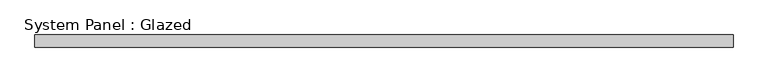
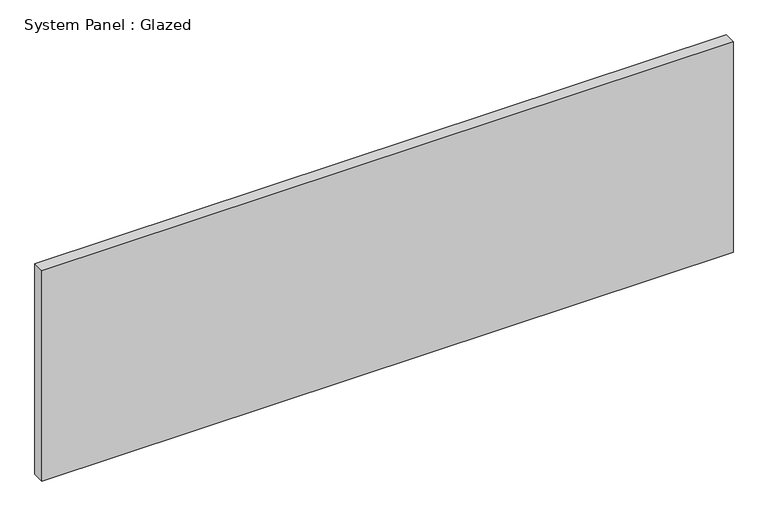
"""IFC4 building model written with IfcOpenShell, lengths in millimetres: plate geometry, System Panel : Glazed."""

from ifc_helpers import new_model, si_unit, origin, origin_with_axes, place, context, project, spatial, polyline, outline, extrude, source, transform, mapped, element, save


def system_panel_glazed_bf61b475(model_context):
    return source(origin(), model_context, "Body", "SweptSolid", [
        extrude(outline(polyline([(730.25, -12.7), (-730.25, -12.7), (-730.25, 12.7), (730.25, 12.7), (730.25, -12.7)])), origin_with_axes(), (0.0, 0.0, 1.0), 469.9),
    ])


if __name__ == "__main__":
    model = new_model("IFC4")
    model_context = context("Model", 3, world=origin())
    ifc_project = project(units=[si_unit("LENGTHUNIT", "METRE", prefix="MILLI")], contexts=[model_context])
    site = spatial("IfcSite", under=ifc_project)
    building = spatial("IfcBuilding", under=site)
    placement = place(None, origin())
    system_panel_glazed_shape = system_panel_glazed_bf61b475(model_context)
    element("IfcPlate", 1, ObjectType="System Panel : Glazed", at=placement, inside=building, context=model_context, shape_type="MappedRepresentation", body=[
        mapped(system_panel_glazed_shape, transform((0.0, 0.0, 0.0), x_axis=(1.0, 0.0, 0.0), y_axis=(0.0, 1.0, 0.0), z_axis=(0.0, 0.0, 1.0))),
    ])
    save(model, "model.ifc")
